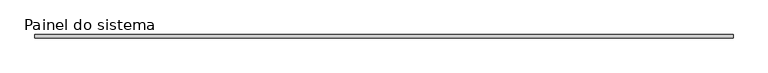
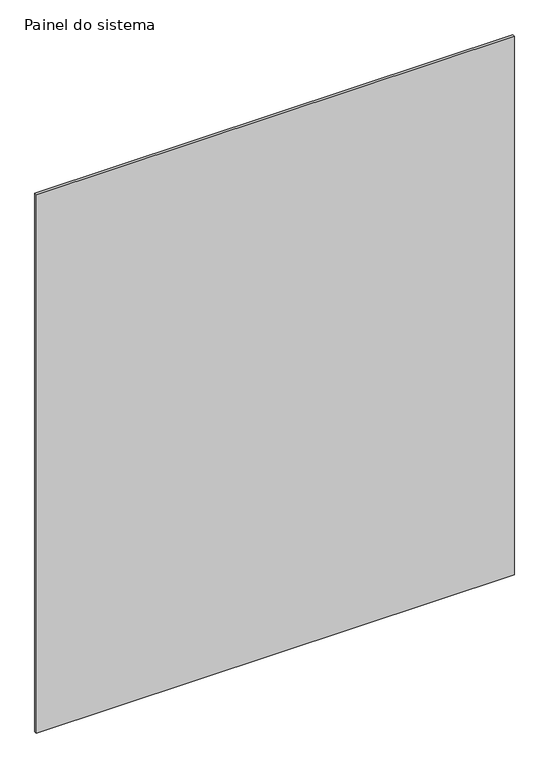
"""IFC4 building model written with IfcOpenShell, lengths in millimetres: plate geometry, Painel do sistema."""

from ifc_helpers import new_model, si_unit, origin, origin_with_axes, place, context, project, spatial, polyline, outline, extrude, source, transform, mapped, element, save


def painel_do_sistema_40f95b2e(model_context):
    return source(origin(), model_context, "Body", "SweptSolid", [
        extrude(outline(polyline([(2541.6142318, 24.5), (-2541.6142318, 24.5), (-2541.6142318, 49.5), (2541.6142318, 49.5), (2541.6142318, 24.5)])), origin_with_axes(), (0.0, 0.0, 1.0), 6050.0),
    ])


if __name__ == "__main__":
    model = new_model("IFC4")
    model_context = context("Model", 3, world=origin())
    ifc_project = project(units=[si_unit("LENGTHUNIT", "METRE", prefix="MILLI")], contexts=[model_context])
    site = spatial("IfcSite", under=ifc_project)
    building = spatial("IfcBuilding", under=site)
    placement = place(None, origin())
    painel_do_sistema_shape = painel_do_sistema_40f95b2e(model_context)
    element("IfcPlate", 1, ObjectType="Painel do sistema", at=placement, inside=building, context=model_context, shape_type="MappedRepresentation", body=[
        mapped(painel_do_sistema_shape, transform((0.0, 0.0, 0.0), x_axis=(1.0, 0.0, 0.0), y_axis=(0.0, 1.0, 0.0), z_axis=(0.0, 0.0, 1.0))),
    ])
    save(model, "model.ifc")
